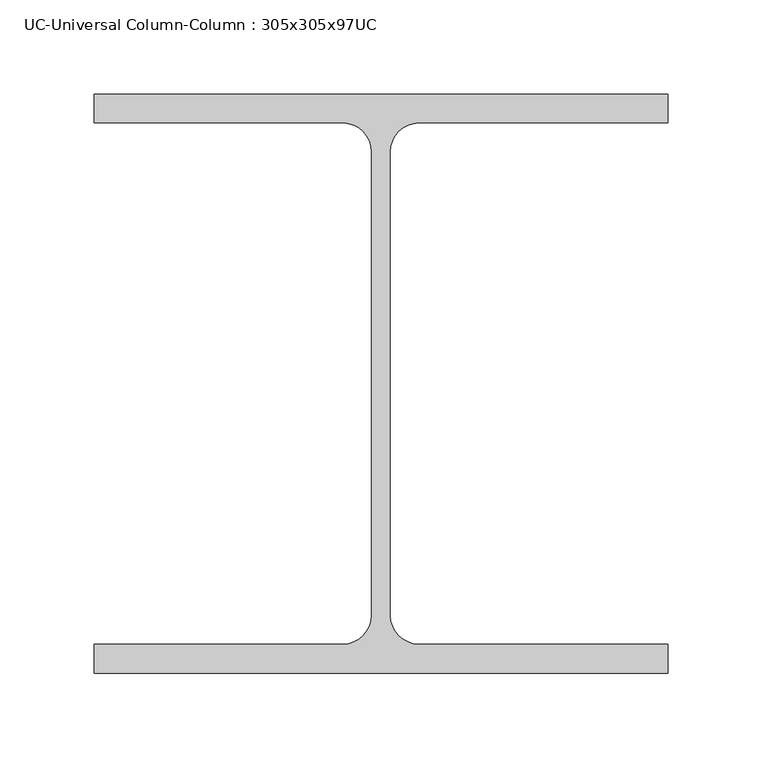
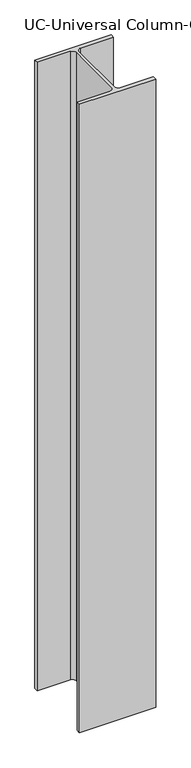
"""IFC4 building model written with IfcOpenShell, lengths in millimetres: column geometry, UC-Universal Column-Column : 305x305x97UC."""

from ifc_helpers import new_model, si_unit, point, frame, frame_2d, origin, place, context, project, spatial, polyline, circle_curve, trimmed, segment, composite_curve, outline, extrude, source, transform, mapped, element, save


def uc_universal_column_column_305x305x97uc_b1766005(model_context):
    return source(origin(), model_context, "Body", "SweptSolid", [
        extrude(outline(composite_curve([segment(polyline([(152.65, 153.95), (152.65, 138.55), (20.15, 138.55)]), True, "CONTINUOUS"), segment(trimmed(circle_curve(frame_2d((20.15, 123.35)), 15.2), [point((20.15, 138.55))], [point((4.95, 123.35))], True, "CARTESIAN"), True, "CONTINUOUS"), segment(polyline([(4.95, 123.35), (4.95, -123.35)]), True, "CONTINUOUS"), segment(trimmed(circle_curve(frame_2d((20.15, -123.35)), 15.2), [point((4.95, -123.35))], [point((20.15, -138.55))], True, "CARTESIAN"), True, "CONTINUOUS"), segment(polyline([(20.15, -138.55), (152.65, -138.55), (152.65, -153.95), (-152.65, -153.95), (-152.65, -138.55), (-20.15, -138.55)]), True, "CONTINUOUS"), segment(trimmed(circle_curve(frame_2d((-20.15, -123.35)), 15.2), [point((-20.15, -138.55))], [point((-4.95, -123.35))], True, "CARTESIAN"), True, "CONTINUOUS"), segment(polyline([(-4.95, -123.35), (-4.95, 123.35)]), True, "CONTINUOUS"), segment(trimmed(circle_curve(frame_2d((-20.15, 123.35)), 15.2), [point((-4.95, 123.35))], [point((-20.15, 138.55))], True, "CARTESIAN"), True, "CONTINUOUS"), segment(polyline([(-20.15, 138.55), (-152.65, 138.55), (-152.65, 153.95), (152.65, 153.95)]), True, "CONTINUOUS")], self_intersect=False)), frame((0.0, 0.0, 12962.0), z_axis=(0.0, 0.0, 1.0), x_axis=(1.0, 0.0, 0.0)), (0.0, 0.0, 1.0), 2659.1405947),
    ])


if __name__ == "__main__":
    model = new_model("IFC4")
    model_context = context("Model", 3, world=origin())
    ifc_project = project(units=[si_unit("LENGTHUNIT", "METRE", prefix="MILLI")], contexts=[model_context])
    site = spatial("IfcSite", under=ifc_project)
    building = spatial("IfcBuilding", under=site)
    placement = place(None, origin())
    uc_universal_column_column_305x305x97uc_shape = uc_universal_column_column_305x305x97uc_b1766005(model_context)
    element("IfcColumn", 1, ObjectType="UC-Universal Column-Column : 305x305x97UC", at=placement, inside=building, context=model_context, shape_type="MappedRepresentation", body=[
        mapped(uc_universal_column_column_305x305x97uc_shape, transform((0.0, 0.0, 0.0), x_axis=(1.0, 0.0, 0.0), y_axis=(0.0, 1.0, 0.0), z_axis=(0.0, 0.0, 1.0))),
    ])
    save(model, "model.ifc")
